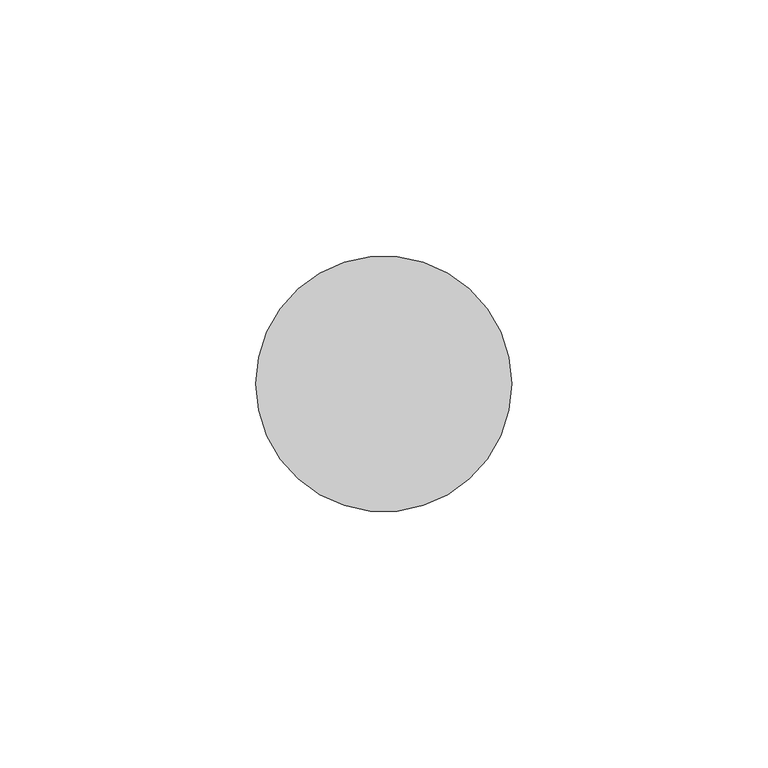
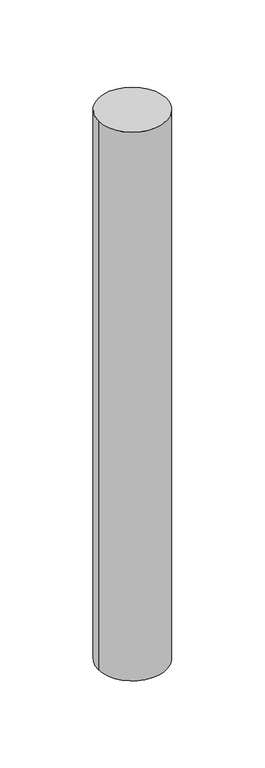
"""IFC4 building model written with IfcOpenShell, lengths in millimetres: member geometry."""

import ifcopenshell
import ifcopenshell.guid

model = None  # the IFC model being written
_history = None  # IfcOwnerHistory: only IFC2X3 demands one
_inside = {}  # id of a spatial element -> (the spatial element, [elements in it])
_under = {}  # id of a project, library or spatial element -> (it, [spatial elements below it])
_declared = {}  # id of a project -> (the project, [libraries it declares])
_typed = {}  # id of a type object -> (the type object, [elements of that type])
_made_of = {}  # id of a material, layer set ... -> (it, [elements and type objects made of it])


def new_model(schema):
    """Start an empty IFC model of exactly this schema.

    Asked for "IFC4X3", IfcOpenShell would pick the latest addendum, in which some entities
    have other attributes; the version numbers below select the first issue.
    IFC2X3 requires an IfcOwnerHistory on every rooted entity: one is made here for all.
    """
    global model, _history
    if schema == "IFC4X3":
        model = ifcopenshell.file(schema_version=(4, 3, 0, 0))
    else:
        model = ifcopenshell.file(schema=schema)
    _inside.clear()
    _under.clear()
    _declared.clear()
    _typed.clear()
    _made_of.clear()
    _history = None
    if model.schema == "IFC2X3":
        org = make("IfcOrganization", Name="unknown")
        user = make(
            "IfcPersonAndOrganization",
            ThePerson=make("IfcPerson", FamilyName="unknown"),
            TheOrganization=org,
        )
        app = make(
            "IfcApplication",
            ApplicationDeveloper=org,
            Version="unknown",
            ApplicationFullName="unknown",
            ApplicationIdentifier="unknown",
        )
        _history = make(
            "IfcOwnerHistory",
            OwningUser=user,
            OwningApplication=app,
            ChangeAction="ADDED",
            CreationDate=0,
        )
    return model


def make(cls, **values):
    """One entity of the class cls with the attributes given. An attribute that is None is left unset."""
    return model.create_entity(
        cls, **{name: value for name, value in values.items() if value is not None}
    )


def rooted(cls, **values):
    """An entity with a GlobalId (a new one), such as an element, a storey or a relation."""
    return make(cls, GlobalId=ifcopenshell.guid.new(), OwnerHistory=_history, **values)


def si_unit(unit_type, name, prefix=None):
    """IfcSIUnit, for example si_unit("LENGTHUNIT", "METRE", prefix="MILLI")."""
    return make("IfcSIUnit", UnitType=unit_type, Prefix=prefix, Name=name)


def assignment(units):
    """IfcUnitAssignment: the units of a project."""
    return None if units is None else make("IfcUnitAssignment", Units=units)


def point(xyz):
    """IfcCartesianPoint."""
    return None if xyz is None else make("IfcCartesianPoint", Coordinates=xyz)


def direction(xyz):
    """IfcDirection."""
    return None if xyz is None else make("IfcDirection", DirectionRatios=xyz)


def frame(location, z_axis=None, x_axis=None):
    """IfcAxis2Placement3D, a coordinate frame: its origin and axes. An axis left out is left unset."""
    return make(
        "IfcAxis2Placement3D",
        Location=point(location),
        Axis=direction(z_axis),
        RefDirection=direction(x_axis),
    )


def frame_2d(location, x_axis=None):
    """IfcAxis2Placement2D, a coordinate frame in the plane: its origin and x axis."""
    return make(
        "IfcAxis2Placement2D", Location=point(location), RefDirection=direction(x_axis)
    )


def origin():
    """The frame at (0, 0, 0) with its axes left unset."""
    return frame((0.0, 0.0, 0.0))


def origin_2d():
    """The frame at (0, 0) in the plane with its x axis left unset."""
    return frame_2d((0.0, 0.0))


def place(relative_to, where):
    """IfcLocalPlacement: puts the frame where relative to a parent placement (None: the world)."""
    return make(
        "IfcLocalPlacement", PlacementRelTo=relative_to, RelativePlacement=where
    )


def context(
    kind, dimensions, precision=None, world=None, true_north=None, identifier=None
):
    """IfcGeometricRepresentationContext, for example the 3D "Model" context."""
    return make(
        "IfcGeometricRepresentationContext",
        ContextIdentifier=identifier,
        ContextType=kind,
        CoordinateSpaceDimension=dimensions,
        Precision=precision,
        WorldCoordinateSystem=world,
        TrueNorth=true_north,
    )


def project(units=None, contexts=None):
    """IfcProject with its units and contexts."""
    return rooted(
        "IfcProject",
        Name="project",
        RepresentationContexts=contexts,
        UnitsInContext=assignment(units),
    )


def spatial(cls, under=None, at=None, **own):
    """A site, building, storey or space (cls), placed at a placement, below another one or the project."""
    s = rooted(cls, ObjectPlacement=at, **own)
    if under is not None:
        _under.setdefault(under.id(), (under, []))[1].append(s)
    return s


def circle_curve(where, radius):
    """IfcCircle in the frame where."""
    return make("IfcCircle", Position=where, Radius=radius)


def trimmed(basis, trim1, trim2, sense, master):
    """IfcTrimmedCurve: the piece of a basis curve between two trims."""
    return make(
        "IfcTrimmedCurve",
        BasisCurve=basis,
        Trim1=trim1,
        Trim2=trim2,
        SenseAgreement=sense,
        MasterRepresentation=master,
    )


def segment(curve, same_sense, transition):
    """IfcCompositeCurveSegment."""
    return make(
        "IfcCompositeCurveSegment",
        Transition=transition,
        SameSense=same_sense,
        ParentCurve=curve,
    )


def composite_curve(segments, self_intersect=None):
    """IfcCompositeCurve: segments joined end to end."""
    return make("IfcCompositeCurve", Segments=segments, SelfIntersect=self_intersect)


def outline(outer, holes=None, kind="AREA"):
    """IfcArbitraryClosedProfileDef: a profile drawn as a closed curve; with holes, ...WithVoids."""
    if holes is None:
        return make("IfcArbitraryClosedProfileDef", ProfileType=kind, OuterCurve=outer)
    return make(
        "IfcArbitraryProfileDefWithVoids",
        ProfileType=kind,
        OuterCurve=outer,
        InnerCurves=holes,
    )


def extrude(swept, where, along, depth):
    """IfcExtrudedAreaSolid: the profile swept, set in the frame where, extruded along a direction by depth."""
    return make(
        "IfcExtrudedAreaSolid",
        SweptArea=swept,
        Position=where,
        ExtrudedDirection=direction(along),
        Depth=depth,
    )


def shape(context_of_items, identifier, shape_type, items):
    """IfcShapeRepresentation: the items that make up one representation, for example the "Body"."""
    return make(
        "IfcShapeRepresentation",
        ContextOfItems=context_of_items,
        RepresentationIdentifier=identifier,
        RepresentationType=shape_type,
        Items=items,
    )


def source(mapping_origin, context_of_items, identifier, shape_type, items):
    """IfcRepresentationMap: a shape defined once, which mapped items show again and again."""
    return make(
        "IfcRepresentationMap",
        MappingOrigin=mapping_origin,
        MappedRepresentation=shape(context_of_items, identifier, shape_type, items),
    )


def transform(
    local_origin,
    x_axis=None,
    y_axis=None,
    z_axis=None,
    scale=None,
    scale2=None,
    scale3=None,
    uniform=True,
):
    """IfcCartesianTransformationOperator3D, or its non-uniform kind. x_axis, y_axis, z_axis: its Axis1, 2, 3."""
    if uniform:
        return make(
            "IfcCartesianTransformationOperator3D",
            Axis1=direction(x_axis),
            Axis2=direction(y_axis),
            LocalOrigin=point(local_origin),
            Scale=scale,
            Axis3=direction(z_axis),
        )
    return make(
        "IfcCartesianTransformationOperator3DnonUniform",
        Axis1=direction(x_axis),
        Axis2=direction(y_axis),
        LocalOrigin=point(local_origin),
        Scale=scale,
        Axis3=direction(z_axis),
        Scale2=scale2,
        Scale3=scale3,
    )


def mapped(mapping_source, mapping_target):
    """IfcMappedItem: shows the shape of a source again, moved by a transform."""
    return make(
        "IfcMappedItem", MappingSource=mapping_source, MappingTarget=mapping_target
    )


def made_of(thing, what):
    """Note that an element or type object is made of a material, layer set ...; save() writes the relation."""
    if what is not None:
        _made_of.setdefault(what.id(), (what, []))[1].append(thing)
    return thing


def element(
    cls,
    number,
    at=None,
    inside=None,
    cuts=None,
    type_object=None,
    material=None,
    context=None,
    identifier="Body",
    shape_type=None,
    held_by="IfcProductDefinitionShape",
    body=None,
    shapes=None,
    **own,
):
    """One element of the class cls, such as IfcWall. Its Tag is "e" and its number.

    at: its placement. inside: the storey or other place that contains it. cuts: it is an
    opening in that element (IfcRelVoidsElement). A single representation is given by context,
    identifier, shape_type and body (its items); several are given by shapes. held_by: the class
    of the entity that holds the representations. save() writes the other relations.
    """
    e = rooted(cls, Tag="e%d" % number, ObjectPlacement=at, **own)
    if body is not None:
        shapes = [shape(context, identifier, shape_type, body)]
    if shapes is not None:
        e.Representation = make(held_by, Representations=shapes)
    if inside is not None:
        _inside.setdefault(inside.id(), (inside, []))[1].append(e)
    if cuts is not None:
        rooted(
            "IfcRelVoidsElement", RelatingBuildingElement=cuts, RelatedOpeningElement=e
        )
    if type_object is not None:
        _typed.setdefault(type_object.id(), (type_object, []))[1].append(e)
    return made_of(e, material)


def aggregate(whole, parts):
    """IfcRelAggregates: a whole, such as a stair, and the parts it consists of."""
    return rooted("IfcRelAggregates", RelatingObject=whole, RelatedObjects=parts)


def save(model, path):
    """Write the relations noted so far, then the file.

    IfcRelAggregates (storeys below a building ...), IfcRelContainedInSpatialStructure (elements
    in a storey), IfcRelDefinesByType, IfcRelAssociatesMaterial and IfcRelDeclares: one each for
    every whole, place, type object, material and project.
    """
    for whole, parts in _under.values():
        aggregate(whole, parts)
    for where, things in _inside.values():
        rooted(
            "IfcRelContainedInSpatialStructure",
            RelatedElements=things,
            RelatingStructure=where,
        )
    for kind, things in _typed.values():
        rooted("IfcRelDefinesByType", RelatedObjects=things, RelatingType=kind)
    for what, things in _made_of.values():
        rooted("IfcRelAssociatesMaterial", RelatedObjects=things, RelatingMaterial=what)
    for by, libraries in _declared.values():
        rooted("IfcRelDeclares", RelatingContext=by, RelatedDefinitions=libraries)
    model.write(path)


def member_7d4c0006(model_context):
    return source(origin(), model_context, "Body", "SweptSolid", [
        extrude(outline(composite_curve([segment(trimmed(circle_curve(origin_2d(), 25.0), [point((25.0, 0.0))], [point((-25.0, 0.0))], False, "CARTESIAN"), True, "CONTINUOUS"), segment(trimmed(circle_curve(origin_2d(), 25.0), [point((-25.0, 0.0))], [point((25.0, 0.0))], False, "CARTESIAN"), True, "CONTINUOUS")], self_intersect=False)), frame((0.0, 0.0, -424.9828659), z_axis=(0.0, 0.0, 1.0), x_axis=(1.0, 0.0, 0.0)), (0.0, 0.0, 1.0), 424.9828659),
    ])


if __name__ == "__main__":
    model = new_model("IFC4")
    model_context = context("Model", 3, world=origin())
    ifc_project = project(units=[si_unit("LENGTHUNIT", "METRE", prefix="MILLI")], contexts=[model_context])
    site = spatial("IfcSite", under=ifc_project)
    building = spatial("IfcBuilding", under=site)
    placement = place(None, origin())
    member_shape = member_7d4c0006(model_context)
    element("IfcMember", 1, at=placement, inside=building, context=model_context, shape_type="MappedRepresentation", body=[
        mapped(member_shape, transform((0.0, 0.0, 0.0), x_axis=(1.0, 0.0, 0.0), y_axis=(0.0, 1.0, 0.0), z_axis=(0.0, 0.0, 1.0))),
    ])
    save(model, "model.ifc")
